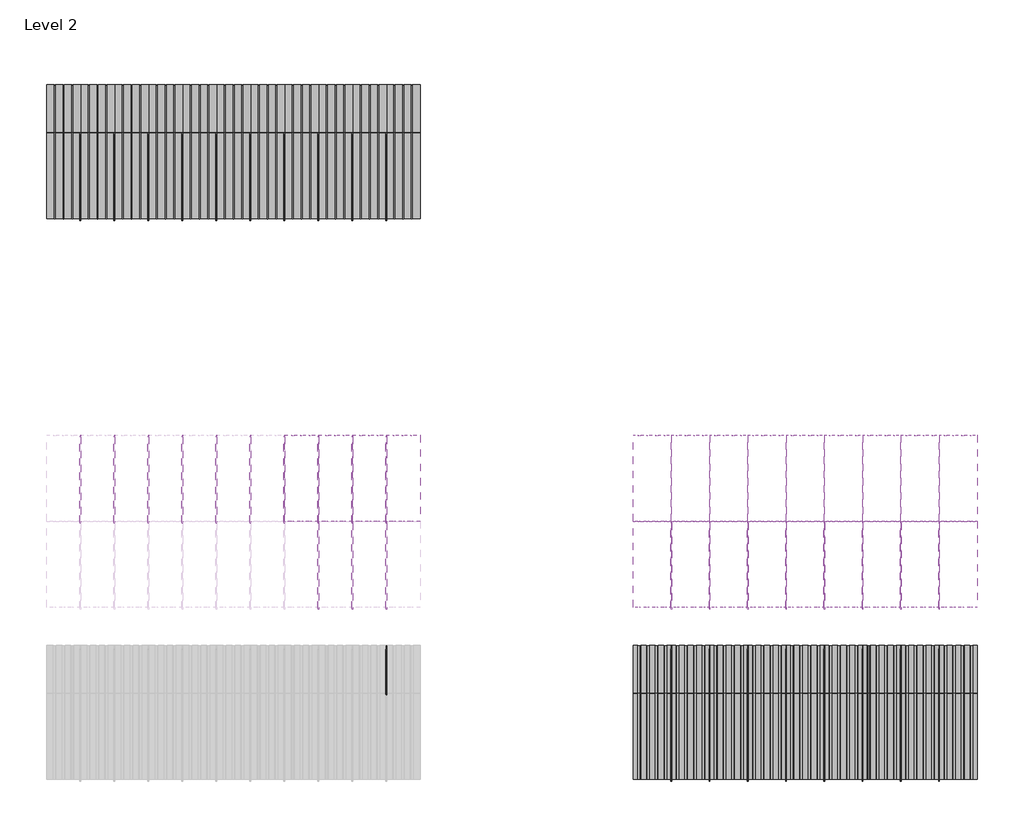
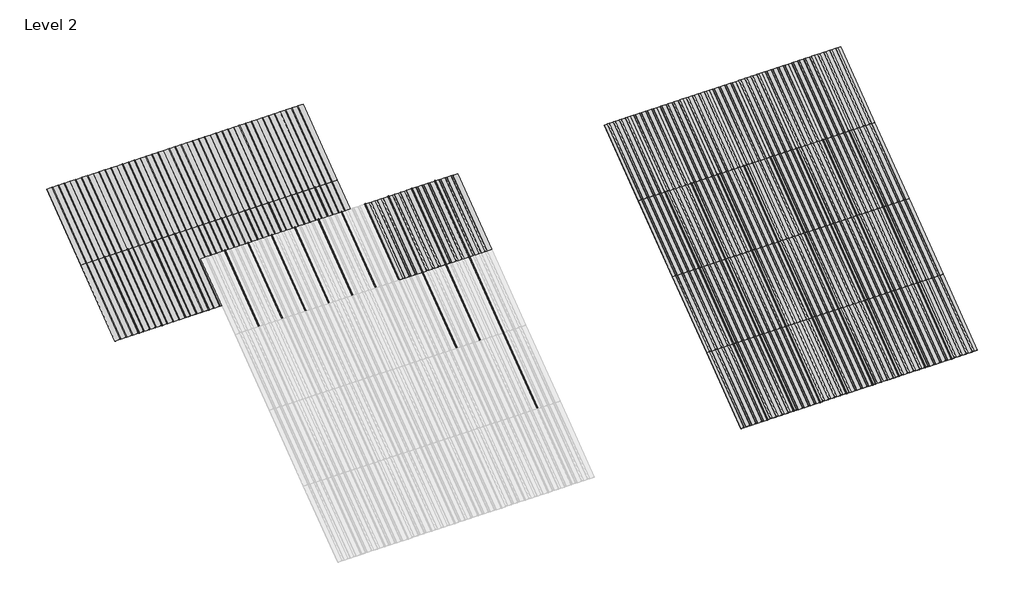
# One storey, part 35 of 113: 62 plates, 48 members.
"""IFC4 building model written with IfcOpenShell, lengths in millimetres."""

import ifcopenshell
import ifcopenshell.guid

model = None  # the IFC model being written
_history = None  # IfcOwnerHistory: only IFC2X3 demands one
_inside = {}  # id of a spatial element -> (the spatial element, [elements in it])
_under = {}  # id of a project, library or spatial element -> (it, [spatial elements below it])
_declared = {}  # id of a project -> (the project, [libraries it declares])
_typed = {}  # id of a type object -> (the type object, [elements of that type])
_made_of = {}  # id of a material, layer set ... -> (it, [elements and type objects made of it])


def new_model(schema):
    """Start an empty IFC model of exactly this schema.

    Asked for "IFC4X3", IfcOpenShell would pick the latest addendum, in which some entities
    have other attributes; the version numbers below select the first issue.
    IFC2X3 requires an IfcOwnerHistory on every rooted entity: one is made here for all.
    """
    global model, _history
    if schema == "IFC4X3":
        model = ifcopenshell.file(schema_version=(4, 3, 0, 0))
    else:
        model = ifcopenshell.file(schema=schema)
    _inside.clear()
    _under.clear()
    _declared.clear()
    _typed.clear()
    _made_of.clear()
    _history = None
    if model.schema == "IFC2X3":
        org = make("IfcOrganization", Name="unknown")
        user = make(
            "IfcPersonAndOrganization",
            ThePerson=make("IfcPerson", FamilyName="unknown"),
            TheOrganization=org,
        )
        app = make(
            "IfcApplication",
            ApplicationDeveloper=org,
            Version="unknown",
            ApplicationFullName="unknown",
            ApplicationIdentifier="unknown",
        )
        _history = make(
            "IfcOwnerHistory",
            OwningUser=user,
            OwningApplication=app,
            ChangeAction="ADDED",
            CreationDate=0,
        )
    return model


def make(cls, **values):
    """One entity of the class cls with the attributes given. An attribute that is None is left unset."""
    return model.create_entity(
        cls, **{name: value for name, value in values.items() if value is not None}
    )


def rooted(cls, **values):
    """An entity with a GlobalId (a new one), such as an element, a storey or a relation."""
    return make(cls, GlobalId=ifcopenshell.guid.new(), OwnerHistory=_history, **values)


def si_unit(unit_type, name, prefix=None):
    """IfcSIUnit, for example si_unit("LENGTHUNIT", "METRE", prefix="MILLI")."""
    return make("IfcSIUnit", UnitType=unit_type, Prefix=prefix, Name=name)


def assignment(units):
    """IfcUnitAssignment: the units of a project."""
    return None if units is None else make("IfcUnitAssignment", Units=units)


def point(xyz):
    """IfcCartesianPoint."""
    return None if xyz is None else make("IfcCartesianPoint", Coordinates=xyz)


def direction(xyz):
    """IfcDirection."""
    return None if xyz is None else make("IfcDirection", DirectionRatios=xyz)


def frame(location, z_axis=None, x_axis=None):
    """IfcAxis2Placement3D, a coordinate frame: its origin and axes. An axis left out is left unset."""
    return make(
        "IfcAxis2Placement3D",
        Location=point(location),
        Axis=direction(z_axis),
        RefDirection=direction(x_axis),
    )


def frame_2d(location, x_axis=None):
    """IfcAxis2Placement2D, a coordinate frame in the plane: its origin and x axis."""
    return make(
        "IfcAxis2Placement2D", Location=point(location), RefDirection=direction(x_axis)
    )


def origin():
    """The frame at (0, 0, 0) with its axes left unset."""
    return frame((0.0, 0.0, 0.0))


def origin_with_axes():
    """The frame at (0, 0, 0) with the z axis (0, 0, 1) and the x axis (1, 0, 0) written out."""
    return frame((0.0, 0.0, 0.0), z_axis=(0.0, 0.0, 1.0), x_axis=(1.0, 0.0, 0.0))


def origin_2d():
    """The frame at (0, 0) in the plane with its x axis left unset."""
    return frame_2d((0.0, 0.0))


def place(relative_to, where):
    """IfcLocalPlacement: puts the frame where relative to a parent placement (None: the world)."""
    return make(
        "IfcLocalPlacement", PlacementRelTo=relative_to, RelativePlacement=where
    )


def context(
    kind, dimensions, precision=None, world=None, true_north=None, identifier=None
):
    """IfcGeometricRepresentationContext, for example the 3D "Model" context."""
    return make(
        "IfcGeometricRepresentationContext",
        ContextIdentifier=identifier,
        ContextType=kind,
        CoordinateSpaceDimension=dimensions,
        Precision=precision,
        WorldCoordinateSystem=world,
        TrueNorth=true_north,
    )


def project(units=None, contexts=None):
    """IfcProject with its units and contexts."""
    return rooted(
        "IfcProject",
        Name="project",
        RepresentationContexts=contexts,
        UnitsInContext=assignment(units),
    )


def spatial(cls, under=None, at=None, **own):
    """A site, building, storey or space (cls), placed at a placement, below another one or the project."""
    s = rooted(cls, ObjectPlacement=at, **own)
    if under is not None:
        _under.setdefault(under.id(), (under, []))[1].append(s)
    return s


def polyline(points):
    """IfcPolyline through the points."""
    return make("IfcPolyline", Points=[point(p) for p in points])


def circle_curve(where, radius):
    """IfcCircle in the frame where."""
    return make("IfcCircle", Position=where, Radius=radius)


def trimmed(basis, trim1, trim2, sense, master):
    """IfcTrimmedCurve: the piece of a basis curve between two trims."""
    return make(
        "IfcTrimmedCurve",
        BasisCurve=basis,
        Trim1=trim1,
        Trim2=trim2,
        SenseAgreement=sense,
        MasterRepresentation=master,
    )


def segment(curve, same_sense, transition):
    """IfcCompositeCurveSegment."""
    return make(
        "IfcCompositeCurveSegment",
        Transition=transition,
        SameSense=same_sense,
        ParentCurve=curve,
    )


def composite_curve(segments, self_intersect=None):
    """IfcCompositeCurve: segments joined end to end."""
    return make("IfcCompositeCurve", Segments=segments, SelfIntersect=self_intersect)


def outline(outer, holes=None, kind="AREA"):
    """IfcArbitraryClosedProfileDef: a profile drawn as a closed curve; with holes, ...WithVoids."""
    if holes is None:
        return make("IfcArbitraryClosedProfileDef", ProfileType=kind, OuterCurve=outer)
    return make(
        "IfcArbitraryProfileDefWithVoids",
        ProfileType=kind,
        OuterCurve=outer,
        InnerCurves=holes,
    )


def extrude(swept, where, along, depth):
    """IfcExtrudedAreaSolid: the profile swept, set in the frame where, extruded along a direction by depth."""
    return make(
        "IfcExtrudedAreaSolid",
        SweptArea=swept,
        Position=where,
        ExtrudedDirection=direction(along),
        Depth=depth,
    )


def shape(context_of_items, identifier, shape_type, items):
    """IfcShapeRepresentation: the items that make up one representation, for example the "Body"."""
    return make(
        "IfcShapeRepresentation",
        ContextOfItems=context_of_items,
        RepresentationIdentifier=identifier,
        RepresentationType=shape_type,
        Items=items,
    )


def source(mapping_origin, context_of_items, identifier, shape_type, items):
    """IfcRepresentationMap: a shape defined once, which mapped items show again and again."""
    return make(
        "IfcRepresentationMap",
        MappingOrigin=mapping_origin,
        MappedRepresentation=shape(context_of_items, identifier, shape_type, items),
    )


def transform(
    local_origin,
    x_axis=None,
    y_axis=None,
    z_axis=None,
    scale=None,
    scale2=None,
    scale3=None,
    uniform=True,
):
    """IfcCartesianTransformationOperator3D, or its non-uniform kind. x_axis, y_axis, z_axis: its Axis1, 2, 3."""
    if uniform:
        return make(
            "IfcCartesianTransformationOperator3D",
            Axis1=direction(x_axis),
            Axis2=direction(y_axis),
            LocalOrigin=point(local_origin),
            Scale=scale,
            Axis3=direction(z_axis),
        )
    return make(
        "IfcCartesianTransformationOperator3DnonUniform",
        Axis1=direction(x_axis),
        Axis2=direction(y_axis),
        LocalOrigin=point(local_origin),
        Scale=scale,
        Axis3=direction(z_axis),
        Scale2=scale2,
        Scale3=scale3,
    )


def mapped(mapping_source, mapping_target):
    """IfcMappedItem: shows the shape of a source again, moved by a transform."""
    return make(
        "IfcMappedItem", MappingSource=mapping_source, MappingTarget=mapping_target
    )


def made_of(thing, what):
    """Note that an element or type object is made of a material, layer set ...; save() writes the relation."""
    if what is not None:
        _made_of.setdefault(what.id(), (what, []))[1].append(thing)
    return thing


def element(
    cls,
    number,
    at=None,
    inside=None,
    cuts=None,
    type_object=None,
    material=None,
    context=None,
    identifier="Body",
    shape_type=None,
    held_by="IfcProductDefinitionShape",
    body=None,
    shapes=None,
    **own,
):
    """One element of the class cls, such as IfcWall. Its Tag is "e" and its number.

    at: its placement. inside: the storey or other place that contains it. cuts: it is an
    opening in that element (IfcRelVoidsElement). A single representation is given by context,
    identifier, shape_type and body (its items); several are given by shapes. held_by: the class
    of the entity that holds the representations. save() writes the other relations.
    """
    e = rooted(cls, Tag="e%d" % number, ObjectPlacement=at, **own)
    if body is not None:
        shapes = [shape(context, identifier, shape_type, body)]
    if shapes is not None:
        e.Representation = make(held_by, Representations=shapes)
    if inside is not None:
        _inside.setdefault(inside.id(), (inside, []))[1].append(e)
    if cuts is not None:
        rooted(
            "IfcRelVoidsElement", RelatingBuildingElement=cuts, RelatedOpeningElement=e
        )
    if type_object is not None:
        _typed.setdefault(type_object.id(), (type_object, []))[1].append(e)
    return made_of(e, material)


def aggregate(whole, parts):
    """IfcRelAggregates: a whole, such as a stair, and the parts it consists of."""
    return rooted("IfcRelAggregates", RelatingObject=whole, RelatedObjects=parts)


def save(model, path):
    """Write the relations noted so far, then the file.

    IfcRelAggregates (storeys below a building ...), IfcRelContainedInSpatialStructure (elements
    in a storey), IfcRelDefinesByType, IfcRelAssociatesMaterial and IfcRelDeclares: one each for
    every whole, place, type object, material and project.
    """
    for whole, parts in _under.values():
        aggregate(whole, parts)
    for where, things in _inside.values():
        rooted(
            "IfcRelContainedInSpatialStructure",
            RelatedElements=things,
            RelatingStructure=where,
        )
    for kind, things in _typed.values():
        rooted("IfcRelDefinesByType", RelatedObjects=things, RelatingType=kind)
    for what, things in _made_of.values():
        rooted("IfcRelAssociatesMaterial", RelatedObjects=things, RelatingMaterial=what)
    for by, libraries in _declared.values():
        rooted("IfcRelDeclares", RelatingContext=by, RelatedDefinitions=libraries)
    model.write(path)


def rectangular_mullion_707b4951(model_context):
    return source(origin(), model_context, "Body", "SweptSolid", [
        extrude(outline(composite_curve([segment(polyline([(-1.651, -33.918525), (-1.651, 0.396875), (1.778, 0.396875), (1.778, -36.458525)]), True, "CONTINUOUS"), segment(trimmed(circle_curve(frame_2d((-0.762, -36.458525)), 2.54), [point((1.778, -36.458525))], [point((-0.762, -38.998525))], False, "CARTESIAN"), True, "CONTINUOUS"), segment(polyline([(-0.762, -38.998525), (-5.207, -38.998525)]), True, "CONTINUOUS"), segment(trimmed(circle_curve(frame_2d((-5.207, -36.458525)), 2.54), [point((-5.207, -38.998525))], [point((-7.747, -36.458525))], False, "CARTESIAN"), True, "CONTINUOUS"), segment(polyline([(-7.747, -36.458525), (-7.747, -26.425525)]), True, "CONTINUOUS"), segment(trimmed(circle_curve(frame_2d((-5.207, -26.425525)), 2.54), [point((-7.747, -26.425525))], [point((-2.667, -26.425525))], False, "CARTESIAN"), True, "CONTINUOUS"), segment(polyline([(-2.667, -26.425525), (-2.667, -33.918525), (-1.651, -33.918525)]), True, "CONTINUOUS")], self_intersect=False)), frame((0.0, 0.0, -1285.875), z_axis=(0.0, 0.0, 1.0), x_axis=(1.0, 0.0, 0.0)), (0.0, 0.0, 1.0), 1285.875),
    ])


def plate_0_032_aluminium_91d3225e(model_context):
    return source(origin(), model_context, "Body", "SweptSolid", [
        extrude(outline(polyline([(-123.9800294, 0.8128), (-120.4316494, -2.73558), (-90.8914494, -2.73558), (-87.3430694, 0.8128), (-18.31848, 0.8128), (-14.7701, -2.73558), (14.7701, -2.73558), (18.31848, 0.8128), (85.75548, 0.8128), (89.30386, -2.73558), (118.84406, -2.73558), (122.39244, 0.8128), (203.2, 0.8128), (203.2, 0.0), (122.456147, 0.0), (118.907767, -3.54838), (89.240153, -3.54838), (85.691773, 0.0), (18.382187, 0.0), (14.833807, -3.54838), (-14.833807, -3.54838), (-18.382187, 0.0), (-87.2793624, 0.0), (-90.8277424, -3.54838), (-120.4953564, -3.54838), (-124.0437364, 0.0), (-203.2, 0.0), (-203.2, 0.8128), (-123.9800294, 0.8128)])), origin_with_axes(), (0.0, 0.0, 1.0), 1285.875),
    ])


def plate_0_032_aluminium_9b7b38d6(model_context):
    return source(origin(), model_context, "Body", "SweptSolid", [
        extrude(outline(polyline([(33.654793, 0.0), (-33.654793, 0.0), (-37.203173, -3.54838), (-66.870787, -3.54838), (-70.419167, 0.0), (-137.728753, 0.0), (-141.277133, -3.54838), (-170.944747, -3.54838), (-174.493127, 0.0), (-228.6, 0.0), (-228.6, 0.8128), (-174.42942, 0.8128), (-170.88104, -2.73558), (-141.34084, -2.73558), (-137.79246, 0.8128), (-70.35546, 0.8128), (-66.80708, -2.73558), (-37.26688, -2.73558), (-33.7185, 0.8128), (33.7185, 0.8128), (37.26688, -2.73558), (66.80708, -2.73558), (70.35546, 0.8128), (137.79246, 0.8128), (141.34084, -2.73558), (170.88104, -2.73558), (174.42942, 0.8128), (228.6, 0.8128), (228.6, 0.0), (174.493127, 0.0), (170.944747, -3.54838), (141.277133, -3.54838), (137.728753, 0.0), (70.419167, 0.0), (66.870787, -3.54838), (37.203173, -3.54838), (33.654793, 0.0)])), origin_with_axes(), (0.0, 0.0, 1.0), 1285.875),
    ])


def plate_0_032_aluminium_447bae26(model_context):
    return source(origin(), model_context, "Body", "SweptSolid", [
        extrude(outline(composite_curve([segment(polyline([(-111.1987494, 0.8128), (-111.1987494, 0.0)]), True, "CONTINUOUS"), segment(trimmed(circle_curve(frame_2d((-105.6615494, 0.0)), 5.5372), [point((-111.1987494, 0.0))], [point((-100.1243494, 0.0))], True, "CARTESIAN"), True, "CONTINUOUS"), segment(polyline([(-100.1243494, 0.0), (-100.1243494, 0.8128), (-5.5372, 0.8128), (-5.5372, 0.0)]), True, "CONTINUOUS"), segment(trimmed(circle_curve(origin_2d(), 5.5372), [point((-5.5372, 0.0))], [point((5.5372, 0.0))], True, "CARTESIAN"), True, "CONTINUOUS"), segment(polyline([(5.5372, 0.0), (5.5372, 0.8128), (98.53676, 0.8128), (98.53676, 0.0)]), True, "CONTINUOUS"), segment(trimmed(circle_curve(frame_2d((104.07396, 0.0)), 5.5372), [point((98.53676, 0.0))], [point((109.61116, 0.0))], True, "CARTESIAN"), True, "CONTINUOUS"), segment(polyline([(109.61116, 0.0), (109.61116, 0.8128), (203.2, 0.8128), (203.2, 0.0), (110.42396, 0.0)]), True, "CONTINUOUS"), segment(trimmed(circle_curve(frame_2d((104.07396, 0.0)), 6.35), [point((110.42396, 0.0))], [point((97.72396, 0.0))], False, "CARTESIAN"), True, "CONTINUOUS"), segment(polyline([(97.72396, 0.0), (6.35, 0.0)]), True, "CONTINUOUS"), segment(trimmed(circle_curve(origin_2d(), 6.35), [point((6.35, 0.0))], [point((-6.35, 0.0))], False, "CARTESIAN"), True, "CONTINUOUS"), segment(polyline([(-6.35, 0.0), (-99.3115494, 0.0)]), True, "CONTINUOUS"), segment(trimmed(circle_curve(frame_2d((-105.6615494, 0.0)), 6.35), [point((-99.3115494, 0.0))], [point((-112.0115494, 0.0))], False, "CARTESIAN"), True, "CONTINUOUS"), segment(polyline([(-112.0115494, 0.0), (-203.2, 0.0), (-203.2, 0.8128), (-111.1987494, 0.8128)]), True, "CONTINUOUS")], self_intersect=False)), origin_with_axes(), (0.0, 0.0, 1.0), 1285.875),
    ])


model = new_model("IFC4")

# Units and contexts
model_context = context("Model", 3, world=origin())
ifc_project = project(units=[si_unit("LENGTHUNIT", "METRE", prefix="MILLI")], contexts=[model_context])

# Site, building, storey
site = spatial("IfcSite", under=ifc_project)
building = spatial("IfcBuilding", under=site)
storey = spatial("IfcBuildingStorey", under=building, Name="Level 2", Elevation=3048.0)

# Members
placement = place(None, origin())
rectangular_mullion_shape = rectangular_mullion_707b4951(model_context)
element("IfcMember", 1, ObjectType="Rectangular Mullion", at=placement, inside=storey, context=model_context, shape_type="MappedRepresentation", body=[
    mapped(rectangular_mullion_shape, transform((65444.7138422, 52373.0971239, 6134.1), x_axis=(1.0, 0.0, 0.0), y_axis=(0.0, 0.5999999999999946, -0.800000000000004), z_axis=(0.0, 0.800000000000004, 0.5999999999999946))),
])
element("IfcMember", 2, ObjectType="Rectangular Mullion", at=placement, inside=storey, context=model_context, shape_type="MappedRepresentation", body=[
    mapped(rectangular_mullion_shape, transform((65851.1138422, 52373.0971239, 6134.1), x_axis=(1.0, 0.0, 0.0), y_axis=(0.0, 0.5999999999999946, -0.800000000000004), z_axis=(0.0, 0.800000000000004, 0.5999999999999946))),
])
element("IfcMember", 3, ObjectType="Rectangular Mullion", at=placement, inside=storey, context=model_context, shape_type="MappedRepresentation", body=[
    mapped(rectangular_mullion_shape, transform((66257.5138422, 52373.0971239, 6134.1), x_axis=(1.0, 0.0, 0.0), y_axis=(0.0, 0.5999999999999946, -0.800000000000004), z_axis=(0.0, 0.800000000000004, 0.5999999999999946))),
])
element("IfcMember", 4, ObjectType="Rectangular Mullion", at=placement, inside=storey, context=model_context, shape_type="MappedRepresentation", body=[
    mapped(rectangular_mullion_shape, transform((66663.9138422, 52373.0971239, 6134.1), x_axis=(1.0, 0.0, 0.0), y_axis=(0.0, 0.5999999999999946, -0.800000000000004), z_axis=(0.0, 0.800000000000004, 0.5999999999999946))),
])
element("IfcMember", 5, ObjectType="Rectangular Mullion", at=placement, inside=storey, context=model_context, shape_type="MappedRepresentation", body=[
    mapped(rectangular_mullion_shape, transform((67070.3138422, 52373.0971239, 6134.1), x_axis=(1.0, 0.0, 0.0), y_axis=(0.0, 0.5999999999999946, -0.800000000000004), z_axis=(0.0, 0.800000000000004, 0.5999999999999946))),
])
element("IfcMember", 6, ObjectType="Rectangular Mullion", at=placement, inside=storey, context=model_context, shape_type="MappedRepresentation", body=[
    mapped(rectangular_mullion_shape, transform((67476.7138422, 52373.0971239, 6134.1), x_axis=(1.0, 0.0, 0.0), y_axis=(0.0, 0.5999999999999946, -0.800000000000004), z_axis=(0.0, 0.800000000000004, 0.5999999999999946))),
])
element("IfcMember", 7, ObjectType="Rectangular Mullion", at=placement, inside=storey, context=model_context, shape_type="MappedRepresentation", body=[
    mapped(rectangular_mullion_shape, transform((67883.1138422, 52373.0971239, 6134.1), x_axis=(1.0, 0.0, 0.0), y_axis=(0.0, 0.5999999999999946, -0.800000000000004), z_axis=(0.0, 0.800000000000004, 0.5999999999999946))),
])
element("IfcMember", 8, ObjectType="Rectangular Mullion", at=placement, inside=storey, context=model_context, shape_type="MappedRepresentation", body=[
    mapped(rectangular_mullion_shape, transform((68289.5138422, 52373.0971239, 6134.1), x_axis=(1.0, 0.0, 0.0), y_axis=(0.0, 0.5999999999999946, -0.800000000000004), z_axis=(0.0, 0.800000000000004, 0.5999999999999946))),
])
element("IfcMember", 9, ObjectType="Rectangular Mullion", at=placement, inside=storey, context=model_context, shape_type="MappedRepresentation", body=[
    mapped(rectangular_mullion_shape, transform((68695.9138422, 52373.0971239, 6134.1), x_axis=(1.0, 0.0, 0.0), y_axis=(0.0, 0.5999999999999946, -0.800000000000004), z_axis=(0.0, 0.800000000000004, 0.5999999999999946))),
])
element("IfcMember", 10, ObjectType="Rectangular Mullion", at=placement, inside=storey, context=model_context, shape_type="MappedRepresentation", body=[
    mapped(rectangular_mullion_shape, transform((69102.3138422, 52373.0971239, 6134.1), x_axis=(1.0, 0.0, 0.0), y_axis=(0.0, 0.5999999999999946, -0.800000000000004), z_axis=(0.0, 0.800000000000004, 0.5999999999999946))),
])
element("IfcMember", 11, ObjectType="Rectangular Mullion", at=placement, inside=storey, context=model_context, shape_type="MappedRepresentation", body=[
    mapped(rectangular_mullion_shape, transform((72505.9138422, 49286.9971239, 3819.525), x_axis=(1.0, 0.0, 0.0), y_axis=(0.0, 0.5999999999999939, -0.8000000000000047), z_axis=(0.0, 0.8000000000000047, 0.5999999999999939))),
])
element("IfcMember", 12, ObjectType="Rectangular Mullion", at=placement, inside=storey, context=model_context, shape_type="MappedRepresentation", body=[
    mapped(rectangular_mullion_shape, transform((72963.1138422, 49286.9971239, 3819.525), x_axis=(1.0, 0.0, 0.0), y_axis=(0.0, 0.5999999999999939, -0.8000000000000047), z_axis=(0.0, 0.8000000000000047, 0.5999999999999939))),
])
element("IfcMember", 13, ObjectType="Rectangular Mullion", at=placement, inside=storey, context=model_context, shape_type="MappedRepresentation", body=[
    mapped(rectangular_mullion_shape, transform((73420.3138422, 49286.9971239, 3819.525), x_axis=(1.0, 0.0, 0.0), y_axis=(0.0, 0.5999999999999939, -0.8000000000000047), z_axis=(0.0, 0.8000000000000047, 0.5999999999999939))),
])
element("IfcMember", 14, ObjectType="Rectangular Mullion", at=placement, inside=storey, context=model_context, shape_type="MappedRepresentation", body=[
    mapped(rectangular_mullion_shape, transform((73877.5138422, 49286.9971239, 3819.525), x_axis=(1.0, 0.0, 0.0), y_axis=(0.0, 0.5999999999999939, -0.8000000000000047), z_axis=(0.0, 0.8000000000000047, 0.5999999999999939))),
])
element("IfcMember", 15, ObjectType="Rectangular Mullion", at=placement, inside=storey, context=model_context, shape_type="MappedRepresentation", body=[
    mapped(rectangular_mullion_shape, transform((74334.7138422, 49286.9971239, 3819.525), x_axis=(1.0, 0.0, 0.0), y_axis=(0.0, 0.5999999999999939, -0.8000000000000047), z_axis=(0.0, 0.8000000000000047, 0.5999999999999939))),
])
element("IfcMember", 16, ObjectType="Rectangular Mullion", at=placement, inside=storey, context=model_context, shape_type="MappedRepresentation", body=[
    mapped(rectangular_mullion_shape, transform((74791.9138422, 49286.9971239, 3819.525), x_axis=(1.0, 0.0, 0.0), y_axis=(0.0, 0.5999999999999939, -0.8000000000000047), z_axis=(0.0, 0.8000000000000047, 0.5999999999999939))),
])
element("IfcMember", 17, ObjectType="Rectangular Mullion", at=placement, inside=storey, context=model_context, shape_type="MappedRepresentation", body=[
    mapped(rectangular_mullion_shape, transform((75249.1138422, 49286.9971239, 3819.525), x_axis=(1.0, 0.0, 0.0), y_axis=(0.0, 0.5999999999999939, -0.8000000000000047), z_axis=(0.0, 0.8000000000000047, 0.5999999999999939))),
])
element("IfcMember", 18, ObjectType="Rectangular Mullion", at=placement, inside=storey, context=model_context, shape_type="MappedRepresentation", body=[
    mapped(rectangular_mullion_shape, transform((75706.3138422, 49286.9971239, 3819.525), x_axis=(1.0, 0.0, 0.0), y_axis=(0.0, 0.5999999999999939, -0.8000000000000047), z_axis=(0.0, 0.8000000000000047, 0.5999999999999939))),
])
element("IfcMember", 19, ObjectType="Rectangular Mullion", at=placement, inside=storey, context=model_context, shape_type="MappedRepresentation", body=[
    mapped(rectangular_mullion_shape, transform((65444.7138422, 55992.1208739, 3819.525), x_axis=(1.0, 0.0, 0.0), y_axis=(0.0, 0.5999999999999939, -0.8000000000000047), z_axis=(0.0, 0.8000000000000047, 0.5999999999999939))),
])
element("IfcMember", 20, ObjectType="Rectangular Mullion", at=placement, inside=storey, context=model_context, shape_type="MappedRepresentation", body=[
    mapped(rectangular_mullion_shape, transform((65851.1138422, 55992.1208739, 3819.525), x_axis=(1.0, 0.0, 0.0), y_axis=(0.0, 0.5999999999999939, -0.8000000000000047), z_axis=(0.0, 0.8000000000000047, 0.5999999999999939))),
])
element("IfcMember", 21, ObjectType="Rectangular Mullion", at=placement, inside=storey, context=model_context, shape_type="MappedRepresentation", body=[
    mapped(rectangular_mullion_shape, transform((66257.5138422, 55992.1208739, 3819.525), x_axis=(1.0, 0.0, 0.0), y_axis=(0.0, 0.5999999999999939, -0.8000000000000047), z_axis=(0.0, 0.8000000000000047, 0.5999999999999939))),
])
element("IfcMember", 22, ObjectType="Rectangular Mullion", at=placement, inside=storey, context=model_context, shape_type="MappedRepresentation", body=[
    mapped(rectangular_mullion_shape, transform((66663.9138422, 55992.1208739, 3819.525), x_axis=(1.0, 0.0, 0.0), y_axis=(0.0, 0.5999999999999939, -0.8000000000000047), z_axis=(0.0, 0.8000000000000047, 0.5999999999999939))),
])
element("IfcMember", 23, ObjectType="Rectangular Mullion", at=placement, inside=storey, context=model_context, shape_type="MappedRepresentation", body=[
    mapped(rectangular_mullion_shape, transform((67070.3138422, 55992.1208739, 3819.525), x_axis=(1.0, 0.0, 0.0), y_axis=(0.0, 0.5999999999999939, -0.8000000000000047), z_axis=(0.0, 0.8000000000000047, 0.5999999999999939))),
])
element("IfcMember", 24, ObjectType="Rectangular Mullion", at=placement, inside=storey, context=model_context, shape_type="MappedRepresentation", body=[
    mapped(rectangular_mullion_shape, transform((67476.7138422, 55992.1208739, 3819.525), x_axis=(1.0, 0.0, 0.0), y_axis=(0.0, 0.5999999999999939, -0.8000000000000047), z_axis=(0.0, 0.8000000000000047, 0.5999999999999939))),
])
element("IfcMember", 25, ObjectType="Rectangular Mullion", at=placement, inside=storey, context=model_context, shape_type="MappedRepresentation", body=[
    mapped(rectangular_mullion_shape, transform((67883.1138422, 55992.1208739, 3819.525), x_axis=(1.0, 0.0, 0.0), y_axis=(0.0, 0.5999999999999939, -0.8000000000000047), z_axis=(0.0, 0.8000000000000047, 0.5999999999999939))),
])
element("IfcMember", 26, ObjectType="Rectangular Mullion", at=placement, inside=storey, context=model_context, shape_type="MappedRepresentation", body=[
    mapped(rectangular_mullion_shape, transform((68289.5138422, 55992.1208739, 3819.525), x_axis=(1.0, 0.0, 0.0), y_axis=(0.0, 0.5999999999999939, -0.8000000000000047), z_axis=(0.0, 0.8000000000000047, 0.5999999999999939))),
])
element("IfcMember", 27, ObjectType="Rectangular Mullion", at=placement, inside=storey, context=model_context, shape_type="MappedRepresentation", body=[
    mapped(rectangular_mullion_shape, transform((68695.9138422, 55992.1208739, 3819.525), x_axis=(1.0, 0.0, 0.0), y_axis=(0.0, 0.5999999999999939, -0.8000000000000047), z_axis=(0.0, 0.8000000000000047, 0.5999999999999939))),
])
element("IfcMember", 28, ObjectType="Rectangular Mullion", at=placement, inside=storey, context=model_context, shape_type="MappedRepresentation", body=[
    mapped(rectangular_mullion_shape, transform((69102.3138422, 55992.1208739, 3819.525), x_axis=(1.0, 0.0, 0.0), y_axis=(0.0, 0.5999999999999939, -0.8000000000000047), z_axis=(0.0, 0.8000000000000047, 0.5999999999999939))),
])
element("IfcMember", 29, ObjectType="Rectangular Mullion", at=placement, inside=storey, context=model_context, shape_type="MappedRepresentation", body=[
    mapped(rectangular_mullion_shape, transform((68289.5138422, 51344.3971239, 5362.575), x_axis=(1.0, 0.0, 0.0), y_axis=(0.0, 0.5999999999999941, -0.8000000000000045), z_axis=(0.0, 0.8000000000000044, 0.599999999999994))),
])
element("IfcMember", 30, ObjectType="Rectangular Mullion", at=placement, inside=storey, context=model_context, shape_type="MappedRepresentation", body=[
    mapped(rectangular_mullion_shape, transform((68695.9138422, 51344.3971239, 5362.575), x_axis=(1.0, 0.0, 0.0), y_axis=(0.0, 0.5999999999999941, -0.8000000000000045), z_axis=(0.0, 0.8000000000000044, 0.599999999999994))),
])
element("IfcMember", 31, ObjectType="Rectangular Mullion", at=placement, inside=storey, context=model_context, shape_type="MappedRepresentation", body=[
    mapped(rectangular_mullion_shape, transform((72505.9138422, 50315.6971239, 4591.05), x_axis=(1.0, 0.0, 0.0), y_axis=(0.0, 0.5999999999999952, -0.8000000000000037), z_axis=(0.0, 0.8000000000000037, 0.5999999999999952))),
])
element("IfcMember", 32, ObjectType="Rectangular Mullion", at=placement, inside=storey, context=model_context, shape_type="MappedRepresentation", body=[
    mapped(rectangular_mullion_shape, transform((72963.1138422, 50315.6971239, 4591.05), x_axis=(1.0, 0.0, 0.0), y_axis=(0.0, 0.5999999999999952, -0.8000000000000037), z_axis=(0.0, 0.8000000000000037, 0.5999999999999952))),
])
element("IfcMember", 33, ObjectType="Rectangular Mullion", at=placement, inside=storey, context=model_context, shape_type="MappedRepresentation", body=[
    mapped(rectangular_mullion_shape, transform((72505.9138422, 51344.3971239, 5362.575), x_axis=(1.0, 0.0, 0.0), y_axis=(0.0, 0.5999999999999941, -0.8000000000000045), z_axis=(0.0, 0.8000000000000044, 0.599999999999994))),
])
element("IfcMember", 34, ObjectType="Rectangular Mullion", at=placement, inside=storey, context=model_context, shape_type="MappedRepresentation", body=[
    mapped(rectangular_mullion_shape, transform((72963.1138422, 51344.3971239, 5362.575), x_axis=(1.0, 0.0, 0.0), y_axis=(0.0, 0.5999999999999941, -0.8000000000000045), z_axis=(0.0, 0.8000000000000044, 0.599999999999994))),
])
element("IfcMember", 35, ObjectType="Rectangular Mullion", at=placement, inside=storey, context=model_context, shape_type="MappedRepresentation", body=[
    mapped(rectangular_mullion_shape, transform((73420.3138422, 50315.6971239, 4591.05), x_axis=(1.0, 0.0, 0.0), y_axis=(0.0, 0.5999999999999952, -0.8000000000000037), z_axis=(0.0, 0.8000000000000037, 0.5999999999999952))),
])
element("IfcMember", 36, ObjectType="Rectangular Mullion", at=placement, inside=storey, context=model_context, shape_type="MappedRepresentation", body=[
    mapped(rectangular_mullion_shape, transform((73877.5138422, 50315.6971239, 4591.05), x_axis=(1.0, 0.0, 0.0), y_axis=(0.0, 0.5999999999999952, -0.8000000000000037), z_axis=(0.0, 0.8000000000000037, 0.5999999999999952))),
])
element("IfcMember", 37, ObjectType="Rectangular Mullion", at=placement, inside=storey, context=model_context, shape_type="MappedRepresentation", body=[
    mapped(rectangular_mullion_shape, transform((74334.7138422, 50315.6971239, 4591.05), x_axis=(1.0, 0.0, 0.0), y_axis=(0.0, 0.5999999999999952, -0.8000000000000037), z_axis=(0.0, 0.8000000000000037, 0.5999999999999952))),
])
element("IfcMember", 38, ObjectType="Rectangular Mullion", at=placement, inside=storey, context=model_context, shape_type="MappedRepresentation", body=[
    mapped(rectangular_mullion_shape, transform((74791.9138422, 50315.6971239, 4591.05), x_axis=(1.0, 0.0, 0.0), y_axis=(0.0, 0.5999999999999952, -0.8000000000000037), z_axis=(0.0, 0.8000000000000037, 0.5999999999999952))),
])
element("IfcMember", 39, ObjectType="Rectangular Mullion", at=placement, inside=storey, context=model_context, shape_type="MappedRepresentation", body=[
    mapped(rectangular_mullion_shape, transform((75249.1138422, 50315.6971239, 4591.05), x_axis=(1.0, 0.0, 0.0), y_axis=(0.0, 0.5999999999999952, -0.8000000000000037), z_axis=(0.0, 0.8000000000000037, 0.5999999999999952))),
])
element("IfcMember", 40, ObjectType="Rectangular Mullion", at=placement, inside=storey, context=model_context, shape_type="MappedRepresentation", body=[
    mapped(rectangular_mullion_shape, transform((75706.3138422, 50315.6971239, 4591.05), x_axis=(1.0, 0.0, 0.0), y_axis=(0.0, 0.5999999999999949, -0.8000000000000038), z_axis=(0.0, 0.8000000000000038, 0.5999999999999949))),
])
element("IfcMember", 41, ObjectType="Rectangular Mullion", at=placement, inside=storey, context=model_context, shape_type="MappedRepresentation", body=[
    mapped(rectangular_mullion_shape, transform((73420.3138422, 51344.3971239, 5362.575), x_axis=(1.0, 0.0, 0.0), y_axis=(0.0, 0.5999999999999941, -0.8000000000000045), z_axis=(0.0, 0.8000000000000044, 0.599999999999994))),
])
element("IfcMember", 42, ObjectType="Rectangular Mullion", at=placement, inside=storey, context=model_context, shape_type="MappedRepresentation", body=[
    mapped(rectangular_mullion_shape, transform((73877.5138422, 51344.3971239, 5362.575), x_axis=(1.0, 0.0, 0.0), y_axis=(0.0, 0.5999999999999941, -0.8000000000000045), z_axis=(0.0, 0.8000000000000044, 0.599999999999994))),
])
element("IfcMember", 43, ObjectType="Rectangular Mullion", at=placement, inside=storey, context=model_context, shape_type="MappedRepresentation", body=[
    mapped(rectangular_mullion_shape, transform((74334.7138422, 51344.3971239, 5362.575), x_axis=(1.0, 0.0, 0.0), y_axis=(0.0, 0.5999999999999941, -0.8000000000000045), z_axis=(0.0, 0.8000000000000044, 0.599999999999994))),
])
element("IfcMember", 44, ObjectType="Rectangular Mullion", at=placement, inside=storey, context=model_context, shape_type="MappedRepresentation", body=[
    mapped(rectangular_mullion_shape, transform((74791.9138422, 51344.3971239, 5362.575), x_axis=(1.0, 0.0, 0.0), y_axis=(0.0, 0.5999999999999941, -0.8000000000000045), z_axis=(0.0, 0.8000000000000044, 0.599999999999994))),
])
element("IfcMember", 45, ObjectType="Rectangular Mullion", at=placement, inside=storey, context=model_context, shape_type="MappedRepresentation", body=[
    mapped(rectangular_mullion_shape, transform((75249.1138422, 51344.3971239, 5362.575), x_axis=(1.0, 0.0, 0.0), y_axis=(0.0, 0.5999999999999941, -0.8000000000000045), z_axis=(0.0, 0.8000000000000044, 0.599999999999994))),
])
element("IfcMember", 46, ObjectType="Rectangular Mullion", at=placement, inside=storey, context=model_context, shape_type="MappedRepresentation", body=[
    mapped(rectangular_mullion_shape, transform((75706.3138422, 51344.3971239, 5362.575), x_axis=(1.0, 0.0, 0.0), y_axis=(0.0, 0.5999999999999939, -0.8000000000000047), z_axis=(0.0, 0.8000000000000047, 0.5999999999999939))),
])
element("IfcMember", 47, ObjectType="Rectangular Mullion", at=placement, inside=storey, context=model_context, shape_type="MappedRepresentation", body=[
    mapped(rectangular_mullion_shape, transform((69102.3138422, 50315.6971239, 4591.05), x_axis=(1.0, 0.0, 0.0), y_axis=(0.0, 0.5999999999999952, -0.8000000000000037), z_axis=(0.0, 0.8000000000000037, 0.5999999999999952))),
])
element("IfcMember", 48, ObjectType="Rectangular Mullion", at=placement, inside=storey, context=model_context, shape_type="MappedRepresentation", body=[
    mapped(rectangular_mullion_shape, transform((69102.3138422, 51344.3971239, 5362.575), x_axis=(1.0, 0.0, 0.0), y_axis=(0.0, 0.5999999999999941, -0.8000000000000045), z_axis=(0.0, 0.8000000000000044, 0.599999999999994))),
])

# Plates
plate_0_032_aluminium_shape = plate_0_032_aluminium_91d3225e(model_context)
element("IfcPlate", 49, ObjectType="22 Ga. Steel", at=placement, inside=storey, context=model_context, shape_type="MappedRepresentation", body=[
    mapped(plate_0_032_aluminium_shape, transform((68086.3773422, 51344.3971239, 5362.575), x_axis=(1.0, 0.0, 0.0), y_axis=(0.0, 0.5999999999999943, -0.8000000000000043), z_axis=(0.0, 0.8000000000000043, 0.5999999999999943))),
])
element("IfcPlate", 50, ObjectType="22 Ga. Steel", at=placement, inside=storey, context=model_context, shape_type="MappedRepresentation", body=[
    mapped(plate_0_032_aluminium_shape, transform((68492.7773422, 51344.3971239, 5362.575), x_axis=(1.0, 0.0, 0.0), y_axis=(0.0, 0.5999999999999943, -0.8000000000000043), z_axis=(0.0, 0.8000000000000043, 0.5999999999999943))),
])
element("IfcPlate", 51, ObjectType="22 Ga. Steel", at=placement, inside=storey, context=model_context, shape_type="MappedRepresentation", body=[
    mapped(plate_0_032_aluminium_shape, transform((68899.1773422, 51344.3971239, 5362.575), x_axis=(1.0, 0.0, 0.0), y_axis=(0.0, 0.5999999999999943, -0.8000000000000043), z_axis=(0.0, 0.8000000000000043, 0.5999999999999943))),
])
element("IfcPlate", 52, ObjectType="22 Ga. Steel", at=placement, inside=storey, context=model_context, shape_type="MappedRepresentation", body=[
    mapped(plate_0_032_aluminium_shape, transform((69299.6083422, 51344.3971239, 5362.575), x_axis=(1.0, 0.0, 0.0), y_axis=(0.0, 0.5999999999999943, -0.8000000000000043), z_axis=(0.0, 0.8000000000000043, 0.5999999999999943))),
])
plate_0_032_aluminium_2_shape = plate_0_032_aluminium_9b7b38d6(model_context)
element("IfcPlate", 53, ObjectType="22 Ga. Steel", at=placement, inside=storey, context=model_context, shape_type="MappedRepresentation", body=[
    mapped(plate_0_032_aluminium_2_shape, transform((72277.313842, 48258.2971239, 3048.0), x_axis=(1.0, 0.0, 0.0), y_axis=(0.0, 0.5999999999999943, -0.8000000000000043), z_axis=(0.0, 0.8000000000000043, 0.5999999999999943))),
])
element("IfcPlate", 54, ObjectType="22 Ga. Steel", at=placement, inside=storey, context=model_context, shape_type="MappedRepresentation", body=[
    mapped(plate_0_032_aluminium_2_shape, transform((72277.313842, 49286.9971239, 3819.525), x_axis=(1.0, 0.0, 0.0), y_axis=(0.0, 0.5999999999999943, -0.8000000000000043), z_axis=(0.0, 0.8000000000000043, 0.5999999999999943))),
])
element("IfcPlate", 55, ObjectType="22 Ga. Steel", at=placement, inside=storey, context=model_context, shape_type="MappedRepresentation", body=[
    mapped(plate_0_032_aluminium_2_shape, transform((72277.313842, 50315.6971239, 4591.05), x_axis=(1.0, 0.0, 0.0), y_axis=(0.0, 0.5999999999999943, -0.8000000000000043), z_axis=(0.0, 0.8000000000000043, 0.5999999999999943))),
])
element("IfcPlate", 56, ObjectType="22 Ga. Steel", at=placement, inside=storey, context=model_context, shape_type="MappedRepresentation", body=[
    mapped(plate_0_032_aluminium_2_shape, transform((72277.313842, 51344.3971239, 5362.575), x_axis=(1.0, 0.0, 0.0), y_axis=(0.0, 0.5999999999999943, -0.8000000000000043), z_axis=(0.0, 0.8000000000000043, 0.5999999999999943))),
])
element("IfcPlate", 57, ObjectType="22 Ga. Steel", at=placement, inside=storey, context=model_context, shape_type="MappedRepresentation", body=[
    mapped(plate_0_032_aluminium_2_shape, transform((72734.5773422, 48258.2971239, 3048.0), x_axis=(1.0, 0.0, 0.0), y_axis=(0.0, 0.5999999999999943, -0.8000000000000043), z_axis=(0.0, 0.8000000000000043, 0.5999999999999943))),
])
element("IfcPlate", 58, ObjectType="22 Ga. Steel", at=placement, inside=storey, context=model_context, shape_type="MappedRepresentation", body=[
    mapped(plate_0_032_aluminium_2_shape, transform((73191.7773422, 48258.2971239, 3048.0), x_axis=(1.0, 0.0, 0.0), y_axis=(0.0, 0.5999999999999943, -0.8000000000000043), z_axis=(0.0, 0.8000000000000043, 0.5999999999999943))),
])
element("IfcPlate", 59, ObjectType="22 Ga. Steel", at=placement, inside=storey, context=model_context, shape_type="MappedRepresentation", body=[
    mapped(plate_0_032_aluminium_2_shape, transform((72734.5773422, 49286.9971239, 3819.525), x_axis=(1.0, 0.0, 0.0), y_axis=(0.0, 0.5999999999999943, -0.8000000000000043), z_axis=(0.0, 0.8000000000000043, 0.5999999999999943))),
])
element("IfcPlate", 60, ObjectType="22 Ga. Steel", at=placement, inside=storey, context=model_context, shape_type="MappedRepresentation", body=[
    mapped(plate_0_032_aluminium_2_shape, transform((73191.7773422, 49286.9971239, 3819.525), x_axis=(1.0, 0.0, 0.0), y_axis=(0.0, 0.5999999999999943, -0.8000000000000043), z_axis=(0.0, 0.8000000000000043, 0.5999999999999943))),
])
element("IfcPlate", 61, ObjectType="22 Ga. Steel", at=placement, inside=storey, context=model_context, shape_type="MappedRepresentation", body=[
    mapped(plate_0_032_aluminium_2_shape, transform((72734.5773422, 50315.6971239, 4591.05), x_axis=(1.0, 0.0, 0.0), y_axis=(0.0, 0.5999999999999943, -0.8000000000000043), z_axis=(0.0, 0.8000000000000043, 0.5999999999999943))),
])
element("IfcPlate", 62, ObjectType="22 Ga. Steel", at=placement, inside=storey, context=model_context, shape_type="MappedRepresentation", body=[
    mapped(plate_0_032_aluminium_2_shape, transform((73191.7773422, 50315.6971239, 4591.05), x_axis=(1.0, 0.0, 0.0), y_axis=(0.0, 0.5999999999999943, -0.8000000000000043), z_axis=(0.0, 0.8000000000000043, 0.5999999999999943))),
])
element("IfcPlate", 63, ObjectType="22 Ga. Steel", at=placement, inside=storey, context=model_context, shape_type="MappedRepresentation", body=[
    mapped(plate_0_032_aluminium_2_shape, transform((72734.5773422, 51344.3971239, 5362.575), x_axis=(1.0, 0.0, 0.0), y_axis=(0.0, 0.5999999999999943, -0.8000000000000043), z_axis=(0.0, 0.8000000000000043, 0.5999999999999943))),
])
element("IfcPlate", 64, ObjectType="22 Ga. Steel", at=placement, inside=storey, context=model_context, shape_type="MappedRepresentation", body=[
    mapped(plate_0_032_aluminium_2_shape, transform((73191.7773422, 51344.3971239, 5362.575), x_axis=(1.0, 0.0, 0.0), y_axis=(0.0, 0.5999999999999943, -0.8000000000000043), z_axis=(0.0, 0.8000000000000043, 0.5999999999999943))),
])
element("IfcPlate", 65, ObjectType="22 Ga. Steel", at=placement, inside=storey, context=model_context, shape_type="MappedRepresentation", body=[
    mapped(plate_0_032_aluminium_2_shape, transform((73648.9773422, 48258.2971239, 3048.0), x_axis=(1.0, 0.0, 0.0), y_axis=(0.0, 0.5999999999999943, -0.8000000000000043), z_axis=(0.0, 0.8000000000000043, 0.5999999999999943))),
])
element("IfcPlate", 66, ObjectType="22 Ga. Steel", at=placement, inside=storey, context=model_context, shape_type="MappedRepresentation", body=[
    mapped(plate_0_032_aluminium_2_shape, transform((73648.9773422, 49286.9971239, 3819.525), x_axis=(1.0, 0.0, 0.0), y_axis=(0.0, 0.5999999999999943, -0.8000000000000043), z_axis=(0.0, 0.8000000000000043, 0.5999999999999943))),
])
element("IfcPlate", 67, ObjectType="22 Ga. Steel", at=placement, inside=storey, context=model_context, shape_type="MappedRepresentation", body=[
    mapped(plate_0_032_aluminium_2_shape, transform((73648.9773422, 50315.6971239, 4591.05), x_axis=(1.0, 0.0, 0.0), y_axis=(0.0, 0.5999999999999943, -0.8000000000000043), z_axis=(0.0, 0.8000000000000043, 0.5999999999999943))),
])
element("IfcPlate", 68, ObjectType="22 Ga. Steel", at=placement, inside=storey, context=model_context, shape_type="MappedRepresentation", body=[
    mapped(plate_0_032_aluminium_2_shape, transform((73648.9773422, 51344.3971239, 5362.575), x_axis=(1.0, 0.0, 0.0), y_axis=(0.0, 0.5999999999999943, -0.8000000000000043), z_axis=(0.0, 0.8000000000000043, 0.5999999999999943))),
])
element("IfcPlate", 69, ObjectType="22 Ga. Steel", at=placement, inside=storey, context=model_context, shape_type="MappedRepresentation", body=[
    mapped(plate_0_032_aluminium_2_shape, transform((74106.1773422, 48258.2971239, 3048.0), x_axis=(1.0, 0.0, 0.0), y_axis=(0.0, 0.5999999999999943, -0.8000000000000043), z_axis=(0.0, 0.8000000000000043, 0.5999999999999943))),
])
element("IfcPlate", 70, ObjectType="22 Ga. Steel", at=placement, inside=storey, context=model_context, shape_type="MappedRepresentation", body=[
    mapped(plate_0_032_aluminium_2_shape, transform((74106.1773422, 49286.9971239, 3819.525), x_axis=(1.0, 0.0, 0.0), y_axis=(0.0, 0.5999999999999943, -0.8000000000000043), z_axis=(0.0, 0.8000000000000043, 0.5999999999999943))),
])
element("IfcPlate", 71, ObjectType="22 Ga. Steel", at=placement, inside=storey, context=model_context, shape_type="MappedRepresentation", body=[
    mapped(plate_0_032_aluminium_2_shape, transform((74106.1773422, 50315.6971239, 4591.05), x_axis=(1.0, 0.0, 0.0), y_axis=(0.0, 0.5999999999999943, -0.8000000000000043), z_axis=(0.0, 0.8000000000000043, 0.5999999999999943))),
])
element("IfcPlate", 72, ObjectType="22 Ga. Steel", at=placement, inside=storey, context=model_context, shape_type="MappedRepresentation", body=[
    mapped(plate_0_032_aluminium_2_shape, transform((74106.1773422, 51344.3971239, 5362.575), x_axis=(1.0, 0.0, 0.0), y_axis=(0.0, 0.5999999999999943, -0.8000000000000043), z_axis=(0.0, 0.8000000000000043, 0.5999999999999943))),
])
element("IfcPlate", 73, ObjectType="22 Ga. Steel", at=placement, inside=storey, context=model_context, shape_type="MappedRepresentation", body=[
    mapped(plate_0_032_aluminium_2_shape, transform((74563.3773422, 48258.2971239, 3048.0), x_axis=(1.0, 0.0, 0.0), y_axis=(0.0, 0.5999999999999943, -0.8000000000000043), z_axis=(0.0, 0.8000000000000043, 0.5999999999999943))),
])
element("IfcPlate", 74, ObjectType="22 Ga. Steel", at=placement, inside=storey, context=model_context, shape_type="MappedRepresentation", body=[
    mapped(plate_0_032_aluminium_2_shape, transform((74563.3773422, 49286.9971239, 3819.525), x_axis=(1.0, 0.0, 0.0), y_axis=(0.0, 0.5999999999999943, -0.8000000000000043), z_axis=(0.0, 0.8000000000000043, 0.5999999999999943))),
])
element("IfcPlate", 75, ObjectType="22 Ga. Steel", at=placement, inside=storey, context=model_context, shape_type="MappedRepresentation", body=[
    mapped(plate_0_032_aluminium_2_shape, transform((74563.3773422, 50315.6971239, 4591.05), x_axis=(1.0, 0.0, 0.0), y_axis=(0.0, 0.5999999999999943, -0.8000000000000043), z_axis=(0.0, 0.8000000000000043, 0.5999999999999943))),
])
element("IfcPlate", 76, ObjectType="22 Ga. Steel", at=placement, inside=storey, context=model_context, shape_type="MappedRepresentation", body=[
    mapped(plate_0_032_aluminium_2_shape, transform((74563.3773422, 51344.3971239, 5362.575), x_axis=(1.0, 0.0, 0.0), y_axis=(0.0, 0.5999999999999943, -0.8000000000000043), z_axis=(0.0, 0.8000000000000043, 0.5999999999999943))),
])
element("IfcPlate", 77, ObjectType="22 Ga. Steel", at=placement, inside=storey, context=model_context, shape_type="MappedRepresentation", body=[
    mapped(plate_0_032_aluminium_2_shape, transform((75020.5773422, 48258.2971239, 3048.0), x_axis=(1.0, 0.0, 0.0), y_axis=(0.0, 0.5999999999999943, -0.8000000000000043), z_axis=(0.0, 0.8000000000000043, 0.5999999999999943))),
])
element("IfcPlate", 78, ObjectType="22 Ga. Steel", at=placement, inside=storey, context=model_context, shape_type="MappedRepresentation", body=[
    mapped(plate_0_032_aluminium_2_shape, transform((75020.5773422, 49286.9971239, 3819.525), x_axis=(1.0, 0.0, 0.0), y_axis=(0.0, 0.5999999999999943, -0.8000000000000043), z_axis=(0.0, 0.8000000000000043, 0.5999999999999943))),
])
element("IfcPlate", 79, ObjectType="22 Ga. Steel", at=placement, inside=storey, context=model_context, shape_type="MappedRepresentation", body=[
    mapped(plate_0_032_aluminium_2_shape, transform((75020.5773422, 50315.6971239, 4591.05), x_axis=(1.0, 0.0, 0.0), y_axis=(0.0, 0.5999999999999943, -0.8000000000000043), z_axis=(0.0, 0.8000000000000043, 0.5999999999999943))),
])
element("IfcPlate", 80, ObjectType="22 Ga. Steel", at=placement, inside=storey, context=model_context, shape_type="MappedRepresentation", body=[
    mapped(plate_0_032_aluminium_2_shape, transform((75020.5773422, 51344.3971239, 5362.575), x_axis=(1.0, 0.0, 0.0), y_axis=(0.0, 0.5999999999999943, -0.8000000000000043), z_axis=(0.0, 0.8000000000000043, 0.5999999999999943))),
])
element("IfcPlate", 81, ObjectType="22 Ga. Steel", at=placement, inside=storey, context=model_context, shape_type="MappedRepresentation", body=[
    mapped(plate_0_032_aluminium_2_shape, transform((75477.7773422, 48258.2971239, 3048.0), x_axis=(1.0, 0.0, 0.0), y_axis=(0.0, 0.5999999999999943, -0.8000000000000043), z_axis=(0.0, 0.8000000000000043, 0.5999999999999943))),
])
element("IfcPlate", 82, ObjectType="22 Ga. Steel", at=placement, inside=storey, context=model_context, shape_type="MappedRepresentation", body=[
    mapped(plate_0_032_aluminium_2_shape, transform((75477.7773422, 49286.9971239, 3819.525), x_axis=(1.0, 0.0, 0.0), y_axis=(0.0, 0.5999999999999943, -0.8000000000000043), z_axis=(0.0, 0.8000000000000043, 0.5999999999999943))),
])
element("IfcPlate", 83, ObjectType="22 Ga. Steel", at=placement, inside=storey, context=model_context, shape_type="MappedRepresentation", body=[
    mapped(plate_0_032_aluminium_2_shape, transform((75477.7773422, 50315.6971239, 4591.05), x_axis=(1.0, 0.0, 0.0), y_axis=(0.0, 0.5999999999999943, -0.8000000000000043), z_axis=(0.0, 0.8000000000000043, 0.5999999999999943))),
])
element("IfcPlate", 84, ObjectType="22 Ga. Steel", at=placement, inside=storey, context=model_context, shape_type="MappedRepresentation", body=[
    mapped(plate_0_032_aluminium_2_shape, transform((75477.7773422, 51344.3971239, 5362.575), x_axis=(1.0, 0.0, 0.0), y_axis=(0.0, 0.5999999999999943, -0.8000000000000043), z_axis=(0.0, 0.8000000000000043, 0.5999999999999943))),
])
element("IfcPlate", 85, ObjectType="22 Ga. Steel", at=placement, inside=storey, context=model_context, shape_type="MappedRepresentation", body=[
    mapped(plate_0_032_aluminium_2_shape, transform((75934.9773422, 48258.2971239, 3048.0), x_axis=(1.0, 0.0, 0.0), y_axis=(0.0, 0.5999999999999943, -0.8000000000000043), z_axis=(0.0, 0.8000000000000043, 0.5999999999999943))),
])
element("IfcPlate", 86, ObjectType="22 Ga. Steel", at=placement, inside=storey, context=model_context, shape_type="MappedRepresentation", body=[
    mapped(plate_0_032_aluminium_2_shape, transform((75934.9773422, 49286.9971239, 3819.525), x_axis=(1.0, 0.0, 0.0), y_axis=(0.0, 0.5999999999999943, -0.8000000000000043), z_axis=(0.0, 0.8000000000000043, 0.5999999999999943))),
])
element("IfcPlate", 87, ObjectType="22 Ga. Steel", at=placement, inside=storey, context=model_context, shape_type="MappedRepresentation", body=[
    mapped(plate_0_032_aluminium_2_shape, transform((75934.9773422, 50315.6971239, 4591.05), x_axis=(1.0, 0.0, 0.0), y_axis=(0.0, 0.5999999999999943, -0.8000000000000043), z_axis=(0.0, 0.8000000000000043, 0.5999999999999943))),
])
element("IfcPlate", 88, ObjectType="22 Ga. Steel", at=placement, inside=storey, context=model_context, shape_type="MappedRepresentation", body=[
    mapped(plate_0_032_aluminium_2_shape, transform((75934.9773422, 51344.3971239, 5362.575), x_axis=(1.0, 0.0, 0.0), y_axis=(0.0, 0.5999999999999943, -0.8000000000000043), z_axis=(0.0, 0.8000000000000043, 0.5999999999999943))),
])
plate_0_032_aluminium_3_shape = plate_0_032_aluminium_447bae26(model_context)
element("IfcPlate", 89, ObjectType="22 Ga. Steel", at=placement, inside=storey, context=model_context, shape_type="MappedRepresentation", body=[
    mapped(plate_0_032_aluminium_3_shape, transform((65241.513842, 54963.4208739, 3048.0), x_axis=(1.0, 0.0, 0.0), y_axis=(0.0, 0.5999999999999943, -0.8000000000000043), z_axis=(0.0, 0.8000000000000043, 0.5999999999999943))),
])
element("IfcPlate", 90, ObjectType="22 Ga. Steel", at=placement, inside=storey, context=model_context, shape_type="MappedRepresentation", body=[
    mapped(plate_0_032_aluminium_3_shape, transform((65241.513842, 55992.1208739, 3819.525), x_axis=(1.0, 0.0, 0.0), y_axis=(0.0, 0.5999999999999943, -0.8000000000000043), z_axis=(0.0, 0.8000000000000043, 0.5999999999999943))),
])
element("IfcPlate", 91, ObjectType="22 Ga. Steel", at=placement, inside=storey, context=model_context, shape_type="MappedRepresentation", body=[
    mapped(plate_0_032_aluminium_3_shape, transform((65647.9773422, 54963.4208739, 3048.0), x_axis=(1.0, 0.0, 0.0), y_axis=(0.0, 0.5999999999999943, -0.8000000000000043), z_axis=(0.0, 0.8000000000000043, 0.5999999999999943))),
])
element("IfcPlate", 92, ObjectType="22 Ga. Steel", at=placement, inside=storey, context=model_context, shape_type="MappedRepresentation", body=[
    mapped(plate_0_032_aluminium_3_shape, transform((66054.3773422, 54963.4208739, 3048.0), x_axis=(1.0, 0.0, 0.0), y_axis=(0.0, 0.5999999999999943, -0.8000000000000043), z_axis=(0.0, 0.8000000000000043, 0.5999999999999943))),
])
element("IfcPlate", 93, ObjectType="22 Ga. Steel", at=placement, inside=storey, context=model_context, shape_type="MappedRepresentation", body=[
    mapped(plate_0_032_aluminium_3_shape, transform((65647.9773422, 55992.1208739, 3819.525), x_axis=(1.0, 0.0, 0.0), y_axis=(0.0, 0.5999999999999943, -0.8000000000000043), z_axis=(0.0, 0.8000000000000043, 0.5999999999999943))),
])
element("IfcPlate", 94, ObjectType="22 Ga. Steel", at=placement, inside=storey, context=model_context, shape_type="MappedRepresentation", body=[
    mapped(plate_0_032_aluminium_3_shape, transform((66054.3773422, 55992.1208739, 3819.525), x_axis=(1.0, 0.0, 0.0), y_axis=(0.0, 0.5999999999999943, -0.8000000000000043), z_axis=(0.0, 0.8000000000000043, 0.5999999999999943))),
])
element("IfcPlate", 95, ObjectType="22 Ga. Steel", at=placement, inside=storey, context=model_context, shape_type="MappedRepresentation", body=[
    mapped(plate_0_032_aluminium_3_shape, transform((66460.7773422, 54963.4208739, 3048.0), x_axis=(1.0, 0.0, 0.0), y_axis=(0.0, 0.5999999999999943, -0.8000000000000043), z_axis=(0.0, 0.8000000000000043, 0.5999999999999943))),
])
element("IfcPlate", 96, ObjectType="22 Ga. Steel", at=placement, inside=storey, context=model_context, shape_type="MappedRepresentation", body=[
    mapped(plate_0_032_aluminium_3_shape, transform((66460.7773422, 55992.1208739, 3819.525), x_axis=(1.0, 0.0, 0.0), y_axis=(0.0, 0.5999999999999943, -0.8000000000000043), z_axis=(0.0, 0.8000000000000043, 0.5999999999999943))),
])
element("IfcPlate", 97, ObjectType="22 Ga. Steel", at=placement, inside=storey, context=model_context, shape_type="MappedRepresentation", body=[
    mapped(plate_0_032_aluminium_3_shape, transform((66867.1773422, 54963.4208739, 3048.0), x_axis=(1.0, 0.0, 0.0), y_axis=(0.0, 0.5999999999999943, -0.8000000000000043), z_axis=(0.0, 0.8000000000000043, 0.5999999999999943))),
])
element("IfcPlate", 98, ObjectType="22 Ga. Steel", at=placement, inside=storey, context=model_context, shape_type="MappedRepresentation", body=[
    mapped(plate_0_032_aluminium_3_shape, transform((66867.1773422, 55992.1208739, 3819.525), x_axis=(1.0, 0.0, 0.0), y_axis=(0.0, 0.5999999999999943, -0.8000000000000043), z_axis=(0.0, 0.8000000000000043, 0.5999999999999943))),
])
element("IfcPlate", 99, ObjectType="22 Ga. Steel", at=placement, inside=storey, context=model_context, shape_type="MappedRepresentation", body=[
    mapped(plate_0_032_aluminium_3_shape, transform((67273.5773422, 54963.4208739, 3048.0), x_axis=(1.0, 0.0, 0.0), y_axis=(0.0, 0.5999999999999943, -0.8000000000000043), z_axis=(0.0, 0.8000000000000043, 0.5999999999999943))),
])
element("IfcPlate", 100, ObjectType="22 Ga. Steel", at=placement, inside=storey, context=model_context, shape_type="MappedRepresentation", body=[
    mapped(plate_0_032_aluminium_3_shape, transform((67273.5773422, 55992.1208739, 3819.525), x_axis=(1.0, 0.0, 0.0), y_axis=(0.0, 0.5999999999999943, -0.8000000000000043), z_axis=(0.0, 0.8000000000000043, 0.5999999999999943))),
])
element("IfcPlate", 101, ObjectType="22 Ga. Steel", at=placement, inside=storey, context=model_context, shape_type="MappedRepresentation", body=[
    mapped(plate_0_032_aluminium_3_shape, transform((67679.9773422, 54963.4208739, 3048.0), x_axis=(1.0, 0.0, 0.0), y_axis=(0.0, 0.5999999999999943, -0.8000000000000043), z_axis=(0.0, 0.8000000000000043, 0.5999999999999943))),
])
element("IfcPlate", 102, ObjectType="22 Ga. Steel", at=placement, inside=storey, context=model_context, shape_type="MappedRepresentation", body=[
    mapped(plate_0_032_aluminium_3_shape, transform((67679.9773422, 55992.1208739, 3819.525), x_axis=(1.0, 0.0, 0.0), y_axis=(0.0, 0.5999999999999943, -0.8000000000000043), z_axis=(0.0, 0.8000000000000043, 0.5999999999999943))),
])
element("IfcPlate", 103, ObjectType="22 Ga. Steel", at=placement, inside=storey, context=model_context, shape_type="MappedRepresentation", body=[
    mapped(plate_0_032_aluminium_3_shape, transform((68086.3773422, 54963.4208739, 3048.0), x_axis=(1.0, 0.0, 0.0), y_axis=(0.0, 0.5999999999999943, -0.8000000000000043), z_axis=(0.0, 0.8000000000000043, 0.5999999999999943))),
])
element("IfcPlate", 104, ObjectType="22 Ga. Steel", at=placement, inside=storey, context=model_context, shape_type="MappedRepresentation", body=[
    mapped(plate_0_032_aluminium_3_shape, transform((68086.3773422, 55992.1208739, 3819.525), x_axis=(1.0, 0.0, 0.0), y_axis=(0.0, 0.5999999999999943, -0.8000000000000043), z_axis=(0.0, 0.8000000000000043, 0.5999999999999943))),
])
element("IfcPlate", 105, ObjectType="22 Ga. Steel", at=placement, inside=storey, context=model_context, shape_type="MappedRepresentation", body=[
    mapped(plate_0_032_aluminium_3_shape, transform((68492.7773422, 54963.4208739, 3048.0), x_axis=(1.0, 0.0, 0.0), y_axis=(0.0, 0.5999999999999943, -0.8000000000000043), z_axis=(0.0, 0.8000000000000043, 0.5999999999999943))),
])
element("IfcPlate", 106, ObjectType="22 Ga. Steel", at=placement, inside=storey, context=model_context, shape_type="MappedRepresentation", body=[
    mapped(plate_0_032_aluminium_3_shape, transform((68492.7773422, 55992.1208739, 3819.525), x_axis=(1.0, 0.0, 0.0), y_axis=(0.0, 0.5999999999999943, -0.8000000000000043), z_axis=(0.0, 0.8000000000000043, 0.5999999999999943))),
])
element("IfcPlate", 107, ObjectType="22 Ga. Steel", at=placement, inside=storey, context=model_context, shape_type="MappedRepresentation", body=[
    mapped(plate_0_032_aluminium_3_shape, transform((68899.1773422, 54963.4208739, 3048.0), x_axis=(1.0, 0.0, 0.0), y_axis=(0.0, 0.5999999999999943, -0.8000000000000043), z_axis=(0.0, 0.8000000000000043, 0.5999999999999943))),
])
element("IfcPlate", 108, ObjectType="22 Ga. Steel", at=placement, inside=storey, context=model_context, shape_type="MappedRepresentation", body=[
    mapped(plate_0_032_aluminium_3_shape, transform((68899.1773422, 55992.1208739, 3819.525), x_axis=(1.0, 0.0, 0.0), y_axis=(0.0, 0.5999999999999943, -0.8000000000000043), z_axis=(0.0, 0.8000000000000043, 0.5999999999999943))),
])
element("IfcPlate", 109, ObjectType="22 Ga. Steel", at=placement, inside=storey, context=model_context, shape_type="MappedRepresentation", body=[
    mapped(plate_0_032_aluminium_3_shape, transform((69299.6083422, 54963.4208739, 3048.0), x_axis=(1.0, 0.0, 0.0), y_axis=(0.0, 0.5999999999999943, -0.8000000000000043), z_axis=(0.0, 0.8000000000000043, 0.5999999999999943))),
])
element("IfcPlate", 110, ObjectType="22 Ga. Steel", at=placement, inside=storey, context=model_context, shape_type="MappedRepresentation", body=[
    mapped(plate_0_032_aluminium_3_shape, transform((69299.6083422, 55992.1208739, 3819.525), x_axis=(1.0, 0.0, 0.0), y_axis=(0.0, 0.5999999999999943, -0.8000000000000043), z_axis=(0.0, 0.8000000000000043, 0.5999999999999943))),
])

save(model, "model.ifc")
